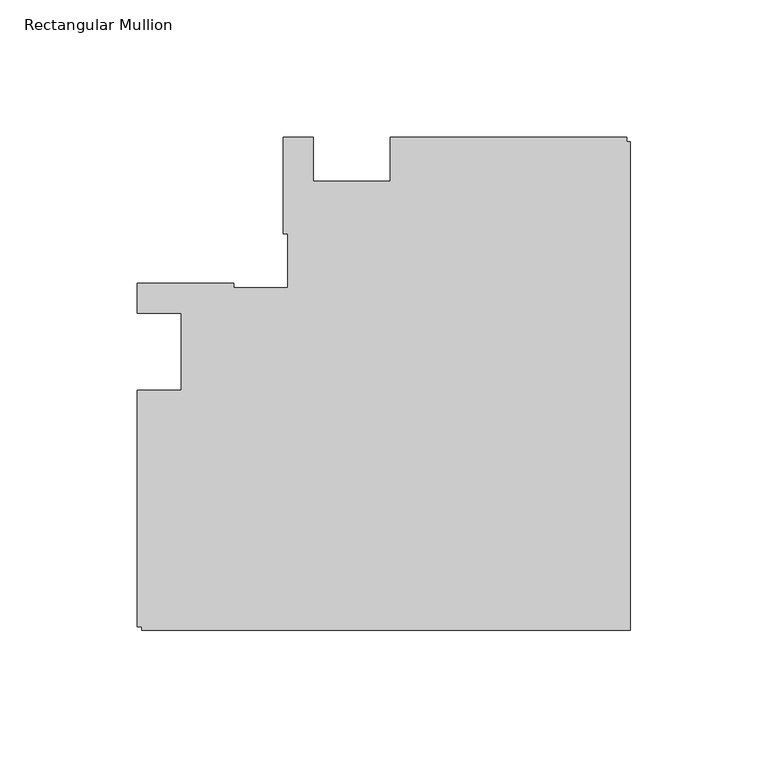
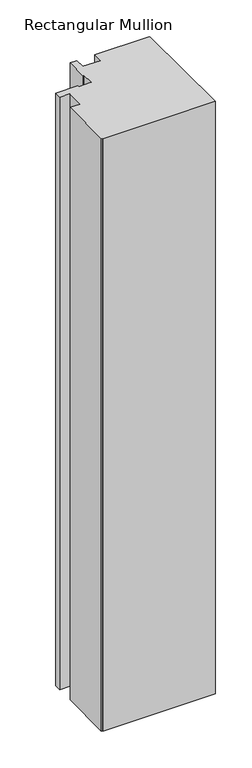
"""IFC4 building model written with IfcOpenShell, lengths in millimetres: member geometry, Rectangular Mullion."""

from ifc_helpers import new_model, si_unit, frame, origin, place, context, project, spatial, polyline, outline, extrude, source, transform, mapped, element, save


def rectangular_mullion_c7063bfe(model_context):
    return source(origin(), model_context, "Body", "SweptSolid", [
        extrude(outline(polyline([(-179.1817613, -13.9960563), (-163.1817351, -13.9960563), (-163.1817351, 14.0038344), (-179.1817351, 14.0038344), (-179.1817351, 25.0038344), (-144.1817351, 25.0038344), (-144.1817351, 23.3186203), (-124.518731, 23.3186203), (-124.518731, 42.9816243), (-126.2039451, 42.9816243), (-126.2039451, 77.9816506), (-115.2040012, 77.9816506), (-115.2040012, 61.9816243), (-87.2040012, 61.9816243), (-87.2040012, 77.9816506), (-1.2039451, 77.9816506), (-1.2039451, 76.4884533), (0.0, 76.4884533), (0.0, -101.2001107), (-177.7039408, -101.2001107), (-177.7039408, -100.0001107), (-179.1817613, -100.0001107), (-179.1817613, -13.9960563)])), frame((0.0, 0.0, -990.6595328), z_axis=(0.0, 0.0, 1.0), x_axis=(1.0, 0.0, 0.0)), (0.0, 0.0, 1.0), 990.6595328),
    ])


if __name__ == "__main__":
    model = new_model("IFC4")
    model_context = context("Model", 3, world=origin())
    ifc_project = project(units=[si_unit("LENGTHUNIT", "METRE", prefix="MILLI")], contexts=[model_context])
    site = spatial("IfcSite", under=ifc_project)
    building = spatial("IfcBuilding", under=site)
    placement = place(None, origin())
    rectangular_mullion_shape = rectangular_mullion_c7063bfe(model_context)
    element("IfcMember", 1, ObjectType="Rectangular Mullion", at=placement, inside=building, context=model_context, shape_type="MappedRepresentation", body=[
        mapped(rectangular_mullion_shape, transform((0.0, 0.0, 0.0), x_axis=(1.0, 0.0, 0.0), y_axis=(0.0, 1.0, 0.0), z_axis=(0.0, 0.0, 1.0))),
    ])
    save(model, "model.ifc")
